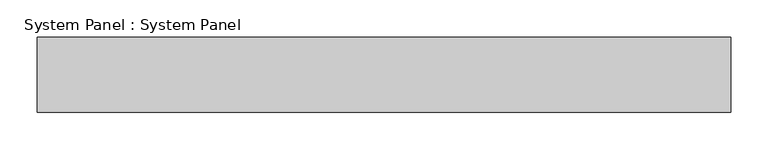
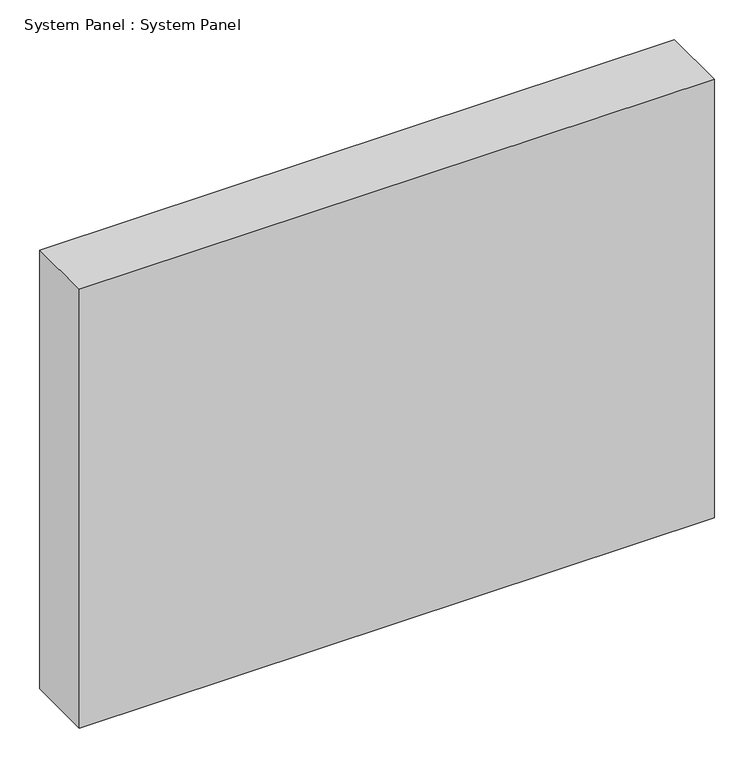
"""IFC4 building model written with IfcOpenShell, lengths in millimetres: plate geometry, System Panel : System Panel."""

from ifc_helpers import new_model, si_unit, origin, origin_with_axes, place, context, project, spatial, polyline, outline, extrude, source, transform, mapped, element, save


def system_panel_system_panel_67a14d11(model_context):
    return source(origin(), model_context, "Body", "SweptSolid", [
        extrude(outline(polyline([(462.5, -50.0), (-462.5, -50.0), (-462.5, 50.0), (462.5, 50.0), (462.5, -50.0)])), origin_with_axes(), (0.0, 0.0, 1.0), 675.694024),
    ])


if __name__ == "__main__":
    model = new_model("IFC4")
    model_context = context("Model", 3, world=origin())
    ifc_project = project(units=[si_unit("LENGTHUNIT", "METRE", prefix="MILLI")], contexts=[model_context])
    site = spatial("IfcSite", under=ifc_project)
    building = spatial("IfcBuilding", under=site)
    placement = place(None, origin())
    system_panel_system_panel_shape = system_panel_system_panel_67a14d11(model_context)
    element("IfcPlate", 1, ObjectType="System Panel : System Panel", at=placement, inside=building, context=model_context, shape_type="MappedRepresentation", body=[
        mapped(system_panel_system_panel_shape, transform((0.0, 0.0, 0.0), x_axis=(1.0, 0.0, 0.0), y_axis=(0.0, 1.0, 0.0), z_axis=(0.0, 0.0, 1.0))),
    ])
    save(model, "model.ifc")
